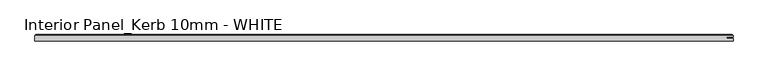
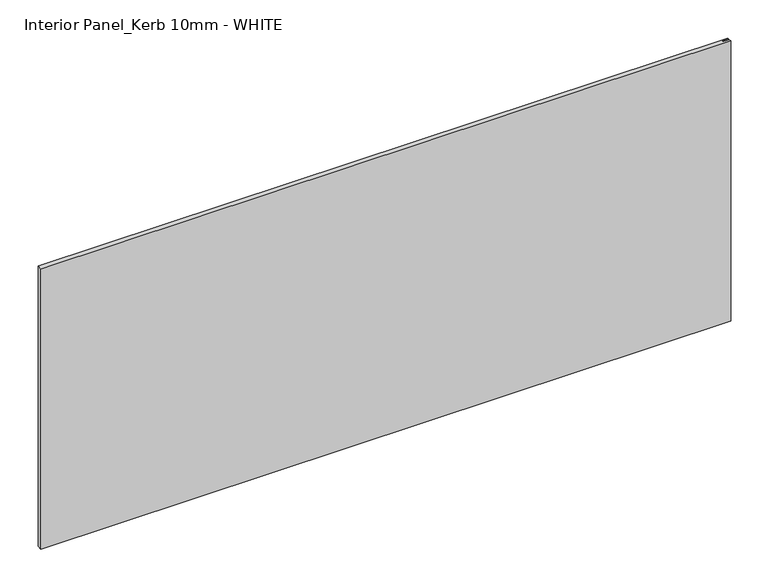
"""IFC4 building model written with IfcOpenShell, lengths in millimetres: proxy geometry, Interior Panel_Kerb 10mm - WHITE."""

from ifc_helpers import new_model, si_unit, origin, place, context, project, spatial, faceted_brep, source, transform, mapped, element, save


def interior_panel_kerb_10mm_white_a71333a6(model_context):
    return source(origin(), model_context, "Body", "Brep", [
        faceted_brep([(990.6, -3.175, 457.2), (990.6, 0.5207, 457.2), (980.7773437, 0.5207, 457.2), (980.7773437, 2.6543, 457.2), (990.6, 2.6543, 457.2), (990.6, 4.7625, 457.2), (-73.025, 4.7625, 457.2), (-73.025, -3.175, 457.2), (990.6, -3.175, 0.0), (-73.025, -3.175, 0.0), (-73.025, 4.7625, 0.0), (990.6, 4.7625, 0.0), (990.6, 2.6543, 0.0), (980.7773437, 2.6543, 0.0), (980.7773437, 0.5207, 0.0), (990.6, 0.5207, 0.0), (-71.4375, 6.35, 455.6125), (989.0125, 6.35, 455.6125), (989.0125, 6.35, 1.5875), (-71.4375, 6.35, 1.5875)], [[[0, 1, 2, 3, 4, 5, 6, 7]], [[8, 9, 10, 11, 12, 13, 14, 15]], [[7, 9, 8, 0]], [[6, 10, 9, 7]], [[16, 17, 18, 19]], [[4, 12, 11, 5]], [[6, 16, 19, 10]], [[11, 18, 17, 5]], [[5, 17, 16, 6]], [[10, 19, 18, 11]], [[3, 13, 12, 4]], [[2, 14, 13, 3]], [[1, 15, 14, 2]], [[0, 8, 15, 1]]]),
    ])


if __name__ == "__main__":
    model = new_model("IFC4")
    model_context = context("Model", 3, world=origin())
    ifc_project = project(units=[si_unit("LENGTHUNIT", "METRE", prefix="MILLI")], contexts=[model_context])
    site = spatial("IfcSite", under=ifc_project)
    building = spatial("IfcBuilding", under=site)
    placement = place(None, origin())
    interior_panel_kerb_10mm_white_shape = interior_panel_kerb_10mm_white_a71333a6(model_context)
    element("IfcBuildingElementProxy", 1, Name="Interior Panel_Kerb 10mm - WHITE", ObjectType="Interior Panel_Kerb 10mm - WHITE", at=placement, inside=building, context=model_context, shape_type="MappedRepresentation", body=[
        mapped(interior_panel_kerb_10mm_white_shape, transform((0.0, 0.0, 0.0), x_axis=(1.0, 0.0, 0.0), y_axis=(0.0, 1.0, 0.0), z_axis=(0.0, 0.0, 1.0))),
    ])
    save(model, "model.ifc")
